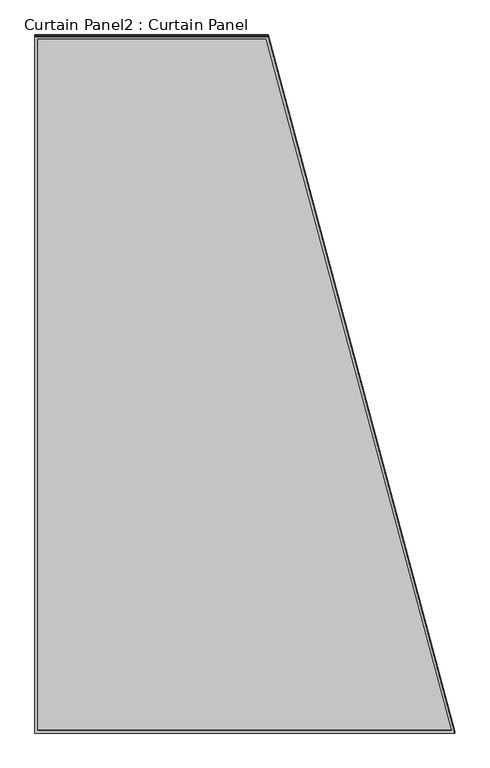
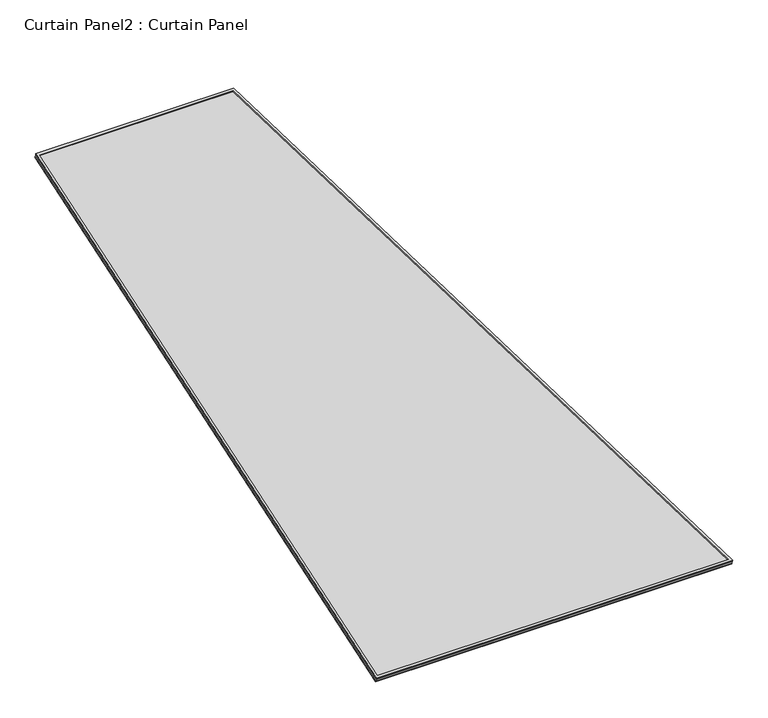
"""IFC4 building model written with IfcOpenShell, lengths in millimetres: plate geometry, Curtain Panel2 : Curtain Panel."""

from ifc_helpers import new_model, si_unit, frame, origin, place, context, project, spatial, polyline, outline, extrude, source, transform, mapped, element, save


def curtain_panel2_curtain_panel_c89a5d5f(model_context):
    return source(origin(), model_context, "Body", "SweptSolid", [
        extrude(outline(polyline([(1625.8925619, -2842.288964), (722.5275942, -2842.288964), (0.0, 0.0), (1625.8925619, 0.0), (1625.8925619, -2842.288964)]), holes=[polyline([(1614.7800619, -11.1125), (14.2907959, -11.1125), (731.1686564, -2831.176464), (1614.7800619, -2831.176464), (1614.7800619, -11.1125)])]), frame((14785.3765419, -8043.1393416, -9.2063141), z_axis=(0.0, -0.31614582397380586, 0.948710608132914), x_axis=(-1.0, 0.0, 0.0)), (0.0, 0.0, 1.0), 4.8944092),
        extrude(outline(polyline([(1625.8925619, -2842.288964), (722.5275942, -2842.288964), (0.0, 0.0), (1625.8925619, 0.0), (1625.8925619, -2842.288964)]), holes=[polyline([(1614.7800619, -11.1125001), (14.2907959, -11.1125001), (731.1686564, -2831.176464), (1614.7800619, -2831.176464), (1614.7800619, -11.1125001)])]), frame((14785.3765419, -8037.5832671, -25.8793379), z_axis=(0.0, -0.31614582397380575, 0.948710608132914), x_axis=(-1.0, 0.0, 0.0)), (0.0, 0.0, 1.0), 4.9034134),
        extrude(outline(polyline([(25.7030317, 0.0), (1651.5953125, 0.0), (1651.5953125, -2842.2889641), (748.2306259, -2842.2889641), (25.7030317, 0.0)])), frame((14811.0792925, -8039.1334608, -21.2274175), z_axis=(0.0, -0.3161458239738058, 0.948710608132914), x_axis=(-1.0, 0.0, 0.0)), (0.0, 0.0, 1.0), 12.6709908),
    ])


if __name__ == "__main__":
    model = new_model("IFC4")
    model_context = context("Model", 3, world=origin())
    ifc_project = project(units=[si_unit("LENGTHUNIT", "METRE", prefix="MILLI")], contexts=[model_context])
    site = spatial("IfcSite", under=ifc_project)
    building = spatial("IfcBuilding", under=site)
    placement = place(None, origin())
    curtain_panel2_curtain_panel_shape = curtain_panel2_curtain_panel_c89a5d5f(model_context)
    element("IfcPlate", 1, ObjectType="Curtain Panel2 : Curtain Panel", at=placement, inside=building, context=model_context, shape_type="MappedRepresentation", body=[
        mapped(curtain_panel2_curtain_panel_shape, transform((0.0, 0.0, 0.0), x_axis=(1.0, 0.0, 0.0), y_axis=(0.0, 1.0, 0.0), z_axis=(0.0, 0.0, 1.0))),
    ])
    save(model, "model.ifc")
